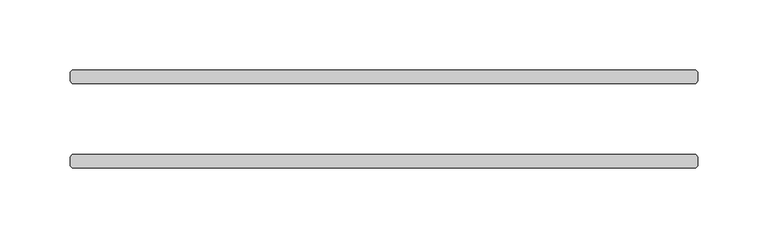
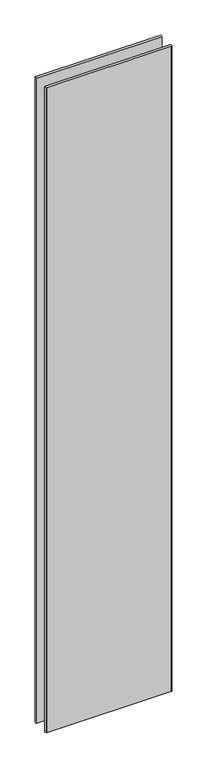
"""IFC4 building model written with IfcOpenShell, lengths in millimetres: plate geometry."""

from ifc_helpers import new_model, si_unit, origin, origin_with_axes, place, context, project, spatial, polyline, outline, extrude, source, transform, mapped, element, save


def plate_e10dc313(model_context):
    return source(origin(), model_context, "Body", "SweptSolid", [
        extrude(outline(polyline([(221.853125, -25.4), (223.440625, -26.9875), (223.440625, -33.3375), (221.853125, -34.925), (-221.853125, -34.925), (-223.440625, -33.3375), (-223.440625, -26.9875), (-221.853125, -25.4), (221.853125, -25.4)])), origin_with_axes(), (0.0, 0.0, 1.0), 2417.7625023),
        extrude(outline(polyline([(221.853125, 34.925), (223.440625, 33.3375), (223.440625, 26.9875), (221.853125, 25.4), (-221.853125, 25.4), (-223.440625, 26.9875), (-223.440625, 33.3375), (-221.853125, 34.925), (221.853125, 34.925)])), origin_with_axes(), (0.0, 0.0, 1.0), 2417.7625023),
    ])


if __name__ == "__main__":
    model = new_model("IFC4")
    model_context = context("Model", 3, world=origin())
    ifc_project = project(units=[si_unit("LENGTHUNIT", "METRE", prefix="MILLI")], contexts=[model_context])
    site = spatial("IfcSite", under=ifc_project)
    building = spatial("IfcBuilding", under=site)
    placement = place(None, origin())
    plate_shape = plate_e10dc313(model_context)
    element("IfcPlate", 1, at=placement, inside=building, context=model_context, shape_type="MappedRepresentation", body=[
        mapped(plate_shape, transform((0.0, 0.0, 0.0), x_axis=(1.0, 0.0, 0.0), y_axis=(0.0, 1.0, 0.0), z_axis=(0.0, 0.0, 1.0))),
    ])
    save(model, "model.ifc")
